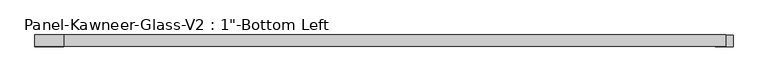
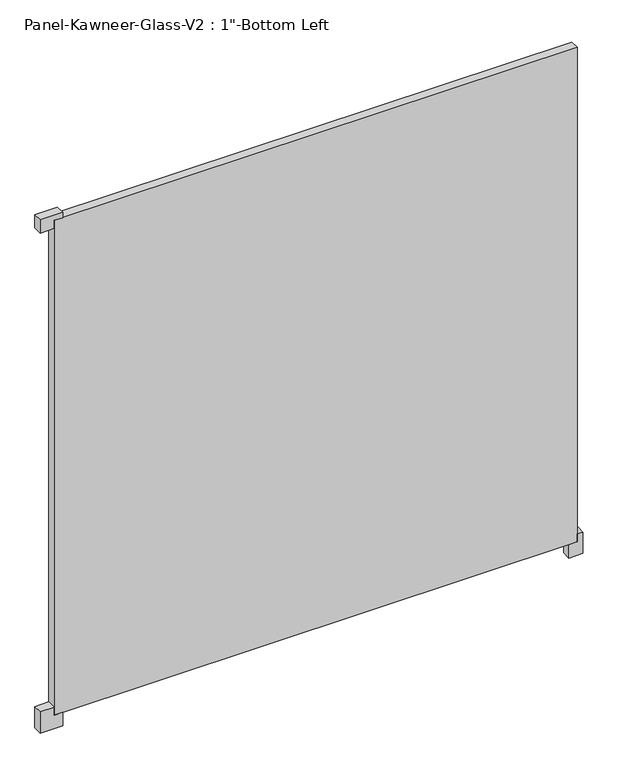
"""IFC4 building model written with IfcOpenShell, lengths in millimetres: plate geometry."""

from ifc_helpers import new_model, si_unit, frame, origin, origin_with_axes, place, context, project, spatial, polyline, outline, extrude, source, transform, mapped, element, save


def plate_1694a2e7(model_context):
    return source(origin(), model_context, "Body", "SweptSolid", [
        extrude(outline(polyline([(-39.6875, 714.375), (-39.6875, 754.0625), (23.8125, 754.0625), (23.8125, 738.1875), (0.0, 738.1875), (0.0, 714.375), (-39.6875, 714.375)])), frame((0.0, -12.7327949, 0.0), z_axis=(0.0, 1.0, 0.0), x_axis=(0.0, 0.0, 1.0)), (0.0, 0.0, 1.0), 25.4),
        extrude(outline(polyline([(-39.6875, -714.375), (0.0, -714.375), (0.0, -738.1875), (23.8125, -738.1875), (23.8125, -777.875), (-39.6875, -777.875), (-39.6875, -714.375)])), frame((0.0, -12.7327949, 0.0), z_axis=(0.0, 1.0, 0.0), x_axis=(0.0, 0.0, 1.0)), (0.0, 0.0, 1.0), 25.4),
        extrude(outline(polyline([(1492.25, -714.375), (1492.25, -777.875), (1452.5625, -777.875), (1452.5625, -738.1875), (1476.375, -738.1875), (1476.375, -714.375), (1492.25, -714.375)])), frame((0.0, -12.7327949, 0.0), z_axis=(0.0, 1.0, 0.0), x_axis=(0.0, 0.0, 1.0)), (0.0, 0.0, 1.0), 25.4),
        extrude(outline(polyline([(738.1875, 12.6672051), (738.1875, -12.7327949), (-738.1875, -12.7327949), (-738.1875, 12.6672051), (738.1875, 12.6672051)])), origin_with_axes(), (0.0, 0.0, 1.0), 1476.375),
    ])


if __name__ == "__main__":
    model = new_model("IFC4")
    model_context = context("Model", 3, world=origin())
    ifc_project = project(units=[si_unit("LENGTHUNIT", "METRE", prefix="MILLI")], contexts=[model_context])
    site = spatial("IfcSite", under=ifc_project)
    building = spatial("IfcBuilding", under=site)
    placement = place(None, origin())
    plate_shape = plate_1694a2e7(model_context)
    element("IfcPlate", 1, ObjectType="Panel-Kawneer-Glass-V2 : 1\"-Bottom Left", at=placement, inside=building, context=model_context, shape_type="MappedRepresentation", body=[
        mapped(plate_shape, transform((0.0, 0.0, 0.0), x_axis=(1.0, 0.0, 0.0), y_axis=(0.0, 1.0, 0.0), z_axis=(0.0, 0.0, 1.0))),
    ])
    save(model, "model.ifc")
